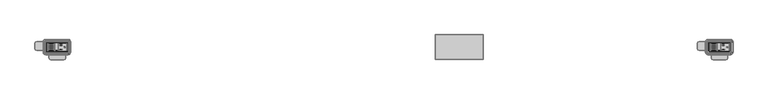
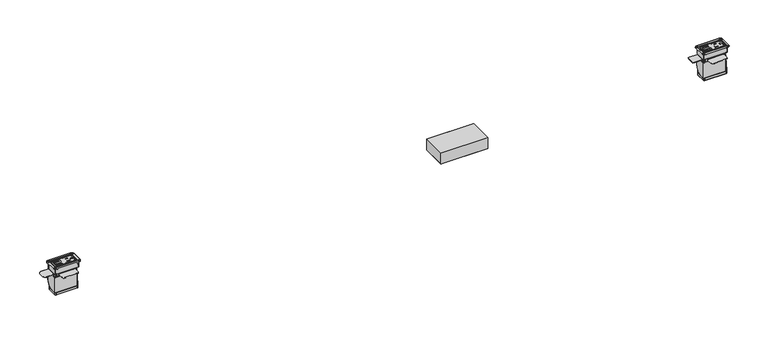
"""IFC4 building model written with IfcOpenShell, lengths in millimetres: furniture geometry."""

from ifc_helpers import new_model, si_unit, origin, place, context, project, spatial, triangles, source, transform, mapped, element, save


def furniture_5e9e9c3a(model_context):
    return source(origin(), model_context, "Body", "Tessellation", [
        triangles([(-1079.5000242, -14.2235992, 2.189245), (-1056.0364855, -12.0812961, 2.2463646), (-1077.5914925, -12.0812961, 2.2463646), (-1077.5914925, 11.9785305, 2.1326152), (-1079.5000242, 14.2244009, 2.189245), (-1056.0364855, 11.9785305, 2.1326152), (-1056.0364855, -12.0836976, 1.7383702), (-1056.0364855, 11.9761279, 1.6246208), (-1077.5914925, -12.0836976, 1.7383702), (-1077.5914925, 11.9761279, 1.6246208), (-1058.8765011, 9.1385382, 2.146042), (-1058.8765011, -9.2413038, 2.2329377), (-1074.7514769, -9.2413038, 2.2329377), (-1074.7514769, 9.1385382, 2.146042), (-1074.7514769, 2.788609, 2.176063), (-1074.7514769, -2.8913751, 2.2029167), (-1058.8765011, -2.8913751, 2.2029167), (-1058.8765011, 2.788609, 2.176063), (-1058.8765011, 2.7549855, -4.9358577), (-1058.8765011, 9.1049147, -4.9658783), (-1074.7514769, 9.1050538, -4.9658794), (-1074.7514769, 2.7549855, -4.9358577), (-1058.8765011, -9.2749278, -4.8789826), (-1058.8765011, -2.9249986, -4.9090038), (-1074.7514769, -2.9248592, -4.9090044), (-1074.7514769, -9.2749278, -4.8789826), (-1042.5112209, -13.5884477, 2.2534901), (-1044.7972733, -11.3024726, 2.2426824), (-1044.7972733, 11.3032742, 2.1358076), (-1042.5112209, 13.5892493, 2.125), (-1019.9052607, 13.5892493, 2.125), (-1018.2860281, 14.2244009, 2.189245), (-1017.619281, 11.3032742, 2.1358076), (-1015.238031, 11.1764004, 2.189245), (-1017.619281, -11.3024726, 2.2426824), (-1015.238031, -11.1755987, 2.189245), (-1019.9052607, -13.5884477, 2.2534901), (-1018.2860281, -14.2235992, 2.189245), (-1082.5480213, -11.1755987, 2.189245), (-1082.5480213, 11.1764004, 2.189245), (-1017.619281, -11.3090742, 0.846303), (-1017.619281, 11.2966726, 0.7394281), (-1019.9052607, 13.5826477, 0.7286206), (-1042.5112209, 13.5826477, 0.7286206), (-1044.7972733, 11.2966726, 0.7394281), (-1044.7972733, -11.3090742, 0.846303), (-1042.5112209, -13.5950493, 0.8571106), (-1019.9052607, -13.5950493, 0.8571106), (-1040.174445, 4.5977495, 2.1675098), (-1040.174445, 4.5839428, -0.752813), (-1040.174445, 7.4425179, 2.1540604), (-1040.174445, 7.4287111, -0.7662625), (-1032.5036196, 4.5977495, 2.1675098), (-1032.5036196, 4.5839428, -0.752813), (-1032.5036196, 7.4425179, 2.1540604), (-1032.5036196, 7.4287111, -0.7662625), (-1023.4358591, 2.6165716, 2.1768763), (-1023.4358591, 2.6027651, -0.7434465), (-1021.1752413, 2.6027651, -0.7434465), (-1021.1752413, 2.6165716, 2.1768763), (-1024.4370335, 2.4174274, 2.1778179), (-1024.4370335, 2.403621, -0.742505), (-1025.2858189, 1.850313, 2.180499), (-1025.2858189, 1.8365063, -0.7398238), (-1025.8529354, 1.0015661, 2.1845118), (-1025.8529354, 0.9877594, -0.7358111), (-1026.0520512, 0.0004009, 2.189245), (-1026.0520512, -0.0134058, -0.7310778), (-1025.8529354, -1.0007643, 2.1939783), (-1025.8529354, -1.014571, -0.7263445), (-1025.2858189, -1.8495112, 2.1979911), (-1025.2858189, -1.8633178, -0.7223318), (-1024.4370335, -2.4166258, 2.2006722), (-1024.4370335, -2.4304322, -0.7196506), (-1023.4358591, -2.6157699, 2.2016136), (-1023.4358591, -2.6295764, -0.7187092), (-1021.1752413, -2.6157699, 2.2016136), (-1021.1752413, -2.6295764, -0.7187092), (-1031.8432674, -5.3081397, 2.2143427), (-1031.8432674, -5.3219465, -0.7059802), (-1031.8432674, -8.1667146, -0.6925308), (-1031.8432674, -8.1529078, 2.227792), (-1041.0888514, -5.3081397, 2.2143427), (-1041.0888514, -5.3219465, -0.7059802), (-1041.0888514, -8.1529078, 2.227792), (-1041.0888514, -8.1667146, -0.6925308), (-1083.4369932, -18.097099, -91.7907544), (-1083.4369932, 18.0979006, -91.7907544), (-1014.3489864, 18.0979006, -91.7907544), (-1014.3489864, -18.097099, -91.7907544), (-1011.3009893, 15.0499012, -91.7907544), (-1011.3009893, -15.0490996, -91.7907544), (-1011.709322, -16.5730993, -91.7907544), (-1011.709322, 16.5739009, -91.7907544), (-1012.8250242, -17.6887447, -91.7907544), (-1012.8250242, 17.6895464, -91.7907544), (-1084.9610281, -17.6887447, -91.7907544), (-1084.9610281, 17.6895464, -91.7907544), (-1086.0766577, -16.5730993, -91.7907544), (-1086.0766577, 16.5739009, -91.7907544), (-1086.4849903, -15.0490996, -91.7907544), (-1086.4849903, 15.0499012, -91.7907544), (-1081.0239864, 13.8160467, 2.189245), (-1082.139616, 12.7004012, 2.189245), (-1081.0239864, -13.815245, 2.189245), (-1082.139616, -12.6995996, 2.189245), (-1016.7619932, -13.815245, 2.189245), (-1015.6463636, -12.6995996, 2.189245), (-1015.6463636, 12.7004012, 2.189245), (-1016.7619932, 13.8160467, 2.189245), (-1011.3009893, -15.0490996, -84.1707526), (-1011.709322, -16.5730993, -84.1707526), (-1012.8250242, -17.6887447, -84.1707526), (-1014.3489864, -18.097099, -84.1707526), (-1086.4849903, -15.0490996, -84.1707526), (-1086.0766577, -16.5730993, -84.1707526), (-1084.9610281, -17.6887447, -84.1707526), (-1083.4369932, -18.097099, -84.1707526), (-1086.4849903, 15.0499012, -84.1707526), (-1086.0766577, 16.5739009, -84.1707526), (-1084.9610281, 17.6895464, -84.1707526), (-1083.4369932, 18.0979006, -84.1707526), (-1011.3009893, 15.0499012, -84.1707526), (-1011.709322, 16.5739009, -84.1707526), (-1012.8250242, 17.6895464, -84.1707526), (-1014.3489864, 18.0979006, -84.1707526), (1018.2860281, -14.2235992, 2.189245), (1041.7495668, -12.0812961, 2.2463646), (1020.1944872, -12.0812961, 2.2463646), (1020.1944872, 11.9785305, 2.1326152), (1018.2860281, 14.2244009, 2.189245), (1041.7495668, 11.9785305, 2.1326152), (1041.7495668, -12.0836976, 1.7383702), (1041.7495668, 11.9761279, 1.6246208), (1020.1944872, -12.0836976, 1.7383702), (1020.1944872, 11.9761279, 1.6246208), (1038.9094786, 9.1385382, 2.146042), (1038.9094786, -9.2413038, 2.2329377), (1023.0345028, -9.2413038, 2.2329377), (1023.0345028, 9.1385382, 2.146042), (1023.0345028, 2.788609, 2.176063), (1023.0345028, -2.8913751, 2.2029167), (1038.9094786, -2.8913751, 2.2029167), (1038.9094786, 2.788609, 2.176063), (1038.9094786, 2.7549855, -4.9358577), (1038.9094786, 9.1049147, -4.9658783), (1023.0345028, 9.1050538, -4.9658794), (1023.0345028, 2.7549855, -4.9358577), (1038.9094786, -9.2749278, -4.8789826), (1038.9094786, -2.9249986, -4.9090038), (1023.0345028, -2.9248592, -4.9090044), (1023.0345028, -9.2749278, -4.8789826), (1055.2747587, -13.5884477, 2.2534901), (1052.9887791, -11.3024726, 2.2426824), (1052.9887791, 11.3032742, 2.1358076), (1055.2747587, 13.5892493, 2.125), (1077.880719, 13.5892493, 2.125), (1079.5000242, 14.2244009, 2.189245), (1080.1667713, 11.3032742, 2.1358076), (1082.5480213, 11.1764004, 2.189245), (1080.1667713, -11.3024726, 2.2426824), (1082.5480213, -11.1755987, 2.189245), (1077.880719, -13.5884477, 2.2534901), (1079.5000242, -14.2235992, 2.189245), (1015.238031, -11.1755987, 2.189245), (1015.238031, 11.1764004, 2.189245), (1080.1667713, -11.3090742, 0.846303), (1080.1667713, 11.2966726, 0.7394281), (1077.880719, 13.5826477, 0.7286206), (1055.2747587, 13.5826477, 0.7286206), (1052.9887791, 11.2966726, 0.7394281), (1052.9887791, -11.3090742, 0.846303), (1055.2747587, -13.5950493, 0.8571106), (1077.880719, -13.5950493, 0.8571106), (1057.6115347, 4.5977495, 2.1675098), (1057.6115347, 4.5839428, -0.752813), (1057.6115347, 7.4425179, 2.1540604), (1057.6115347, 7.4287111, -0.7662625), (1065.2823601, 4.5977495, 2.1675098), (1065.2823601, 4.5839428, -0.752813), (1065.2823601, 7.4425179, 2.1540604), (1065.2823601, 7.4287111, -0.7662625), (1074.3501205, 2.6165716, 2.1768763), (1074.3501205, 2.6027651, -0.7434465), (1076.6107384, 2.6027651, -0.7434465), (1076.6107384, 2.6165716, 2.1768763), (1073.3489462, 2.4174274, 2.1778179), (1073.3489462, 2.403621, -0.742505), (1072.5002335, 1.850313, 2.180499), (1072.5002335, 1.8365063, -0.7398238), (1071.9331169, 1.0015661, 2.1845118), (1071.9331169, 0.9877594, -0.7358111), (1071.7339285, 0.0004009, 2.189245), (1071.7339285, -0.0134058, -0.7310778), (1071.9331169, -1.0007643, 2.1939783), (1071.9331169, -1.014571, -0.7263445), (1072.5002335, -1.8495112, 2.1979911), (1072.5002335, -1.8633178, -0.7223318), (1073.3489462, -2.4166258, 2.2006722), (1073.3489462, -2.4304322, -0.7196506), (1074.3501205, -2.6157699, 2.2016136), (1074.3501205, -2.6295764, -0.7187092), (1076.6107384, -2.6157699, 2.2016136), (1076.6107384, -2.6295764, -0.7187092), (1065.9427849, -5.3081397, 2.2143427), (1065.9427849, -5.3219465, -0.7059802), (1065.9427849, -8.1667146, -0.6925308), (1065.9427849, -8.1529078, 2.227792), (1056.6971283, -5.3081397, 2.2143427), (1056.6971283, -5.3219465, -0.7059802), (1056.6971283, -8.1529078, 2.227792), (1056.6971283, -8.1667146, -0.6925308), (1014.3489864, -18.097099, -91.7907544), (1014.3489864, 18.0979006, -91.7907544), (1083.4369932, 18.0979006, -91.7907544), (1083.4369932, -18.097099, -91.7907544), (1086.4849903, 15.0499012, -91.7907544), (1086.4849903, -15.0490996, -91.7907544), (1086.0766577, 16.5739009, -91.7907544), (1086.0766577, -16.5730993, -91.7907544), (1084.9610281, 17.6895464, -91.7907544), (1084.9610281, -17.6887447, -91.7907544), (1012.8250242, -17.6887447, -91.7907544), (1012.8250242, 17.6895464, -91.7907544), (1011.709322, -16.5730993, -91.7907544), (1011.709322, 16.5739009, -91.7907544), (1011.3009893, -15.0490996, -91.7907544), (1011.3009893, 15.0499012, -91.7907544), (1016.7619932, 13.8160467, 2.189245), (1015.6463636, 12.7004012, 2.189245), (1016.7619932, -13.815245, 2.189245), (1015.6463636, -12.6995996, 2.189245), (1081.0239864, -13.815245, 2.189245), (1082.139616, -12.6995996, 2.189245), (1082.139616, 12.7004012, 2.189245), (1081.0239864, 13.8160467, 2.189245), (1086.4849903, -15.0490996, -84.1707526), (1086.0766577, -16.5730993, -84.1707526), (1084.9610281, -17.6887447, -84.1707526), (1083.4369932, -18.097099, -84.1707526), (1011.3009893, -15.0490996, -84.1707526), (1011.709322, -16.5730993, -84.1707526), (1012.8250242, -17.6887447, -84.1707526), (1014.3489864, -18.097099, -84.1707526), (1011.3009893, 15.0499012, -84.1707526), (1011.709322, 16.5739009, -84.1707526), (1012.8250242, 17.6895464, -84.1707526), (1014.3489864, 18.0979006, -84.1707526), (1086.4849903, 15.0499012, -84.1707526), (1086.0766577, 16.5739009, -84.1707526), (1084.9610281, 17.6895464, -84.1707526), (1083.4369932, 18.0979006, -84.1707526)], [[1, 2, 3], [4, 5, 1], [4, 1, 3], [6, 5, 4], [7, 8, 6], [7, 6, 2], [3, 9, 7], [3, 7, 2], [3, 4, 10], [3, 10, 9], [2, 6, 11], [2, 11, 12], [13, 3, 12], [3, 2, 12], [4, 3, 13], [4, 13, 14], [10, 4, 8], [4, 6, 8], [15, 16, 17], [15, 17, 18], [11, 6, 4], [11, 4, 14], [19, 20, 21], [19, 21, 22], [23, 24, 25], [23, 25, 26], [18, 11, 20], [18, 20, 19], [22, 15, 18], [22, 18, 19], [14, 15, 22], [14, 22, 21], [20, 11, 14], [20, 14, 21], [12, 17, 24], [12, 24, 23], [26, 13, 12], [26, 12, 23], [16, 13, 26], [16, 26, 25], [24, 17, 16], [24, 16, 25], [1, 27, 28], [1, 28, 2], [28, 29, 6], [28, 6, 2], [6, 29, 30], [6, 30, 5], [5, 30, 31], [5, 31, 32], [31, 33, 34], [31, 34, 32], [34, 33, 35], [34, 35, 36], [35, 37, 38], [35, 38, 36], [38, 37, 1], [37, 27, 1], [39, 1, 40], [1, 5, 40], [35, 28, 27], [35, 27, 37], [35, 41, 42], [35, 42, 33], [31, 33, 42], [31, 42, 43], [31, 43, 44], [31, 44, 30], [29, 30, 44], [29, 44, 45], [29, 45, 46], [29, 46, 28], [27, 28, 46], [27, 46, 47], [27, 47, 48], [27, 48, 37], [37, 48, 41], [37, 41, 35], [49, 50, 51], [50, 52, 51], [53, 54, 50], [53, 50, 49], [55, 56, 54], [55, 54, 53], [51, 52, 56], [51, 56, 55], [57, 58, 59], [57, 59, 60], [61, 62, 58], [61, 58, 57], [63, 64, 62], [63, 62, 61], [65, 66, 64], [65, 64, 63], [67, 68, 66], [67, 66, 65], [69, 70, 68], [69, 68, 67], [71, 72, 70], [71, 70, 69], [73, 74, 72], [73, 72, 71], [75, 76, 74], [75, 74, 73], [77, 78, 76], [77, 76, 75], [60, 59, 78], [60, 78, 77], [79, 80, 81], [79, 81, 82], [83, 84, 80], [83, 80, 79], [85, 86, 84], [85, 84, 83], [82, 81, 86], [82, 86, 85], [31, 30, 29], [31, 29, 33], [55, 33, 29], [55, 29, 51], [53, 49, 83], [53, 83, 79], [49, 51, 29], [49, 29, 83], [85, 83, 29], [85, 29, 28], [82, 85, 28], [82, 28, 35], [79, 82, 73], [82, 35, 73], [75, 73, 35], [75, 35, 77], [60, 77, 33], [77, 35, 33], [33, 60, 57], [33, 57, 61], [63, 61, 55], [61, 33, 55], [65, 63, 53], [63, 55, 53], [53, 79, 67], [53, 67, 65], [67, 79, 71], [67, 71, 69], [79, 73, 71], [87, 88, 89], [87, 89, 90], [91, 92, 93], [91, 93, 94], [94, 93, 95], [94, 95, 96], [96, 95, 90], [96, 90, 89], [88, 87, 97], [88, 97, 98], [98, 97, 99], [98, 99, 100], [100, 99, 101], [100, 101, 102], [40, 5, 103], [40, 103, 104], [105, 1, 106], [1, 39, 106], [36, 38, 107], [36, 107, 108], [34, 109, 110], [34, 110, 32], [111, 36, 108], [111, 108, 112], [112, 108, 107], [112, 107, 113], [113, 107, 38], [113, 38, 114], [92, 111, 112], [92, 112, 93], [93, 112, 113], [93, 113, 95], [95, 113, 114], [95, 114, 90], [115, 101, 116], [101, 99, 116], [116, 99, 117], [99, 97, 117], [117, 97, 118], [97, 87, 118], [39, 115, 116], [39, 116, 106], [106, 116, 117], [106, 117, 105], [105, 117, 118], [105, 118, 1], [119, 40, 104], [119, 104, 120], [120, 104, 103], [120, 103, 121], [121, 103, 5], [121, 5, 122], [102, 119, 120], [102, 120, 100], [100, 120, 121], [100, 121, 98], [98, 121, 122], [98, 122, 88], [123, 124, 109], [123, 109, 34], [124, 125, 110], [124, 110, 109], [125, 126, 32], [125, 32, 110], [91, 94, 124], [91, 124, 123], [94, 96, 125], [94, 125, 124], [96, 89, 126], [96, 126, 125], [122, 5, 32], [122, 32, 126], [38, 1, 118], [38, 118, 114], [123, 34, 36], [123, 36, 111], [115, 39, 40], [115, 40, 119], [119, 102, 101], [119, 101, 115], [118, 87, 114], [87, 90, 114], [111, 92, 91], [111, 91, 123], [126, 89, 88], [126, 88, 122], [127, 128, 129], [130, 131, 127], [130, 127, 129], [132, 131, 130], [133, 134, 132], [133, 132, 128], [129, 135, 133], [129, 133, 128], [129, 130, 136], [129, 136, 135], [128, 132, 137], [128, 137, 138], [139, 129, 128], [139, 128, 138], [130, 129, 139], [130, 139, 140], [136, 130, 132], [136, 132, 134], [141, 142, 143], [141, 143, 144], [137, 132, 140], [132, 130, 140], [145, 146, 147], [145, 147, 148], [149, 150, 151], [149, 151, 152], [144, 137, 146], [144, 146, 145], [148, 141, 144], [148, 144, 145], [140, 141, 148], [140, 148, 147], [146, 137, 140], [146, 140, 147], [138, 143, 150], [138, 150, 149], [152, 139, 138], [152, 138, 149], [142, 139, 152], [142, 152, 151], [150, 143, 142], [150, 142, 151], [127, 153, 154], [127, 154, 128], [154, 155, 128], [155, 132, 128], [132, 155, 156], [132, 156, 131], [131, 156, 157], [131, 157, 158], [157, 159, 160], [157, 160, 158], [160, 159, 161], [160, 161, 162], [161, 163, 164], [161, 164, 162], [164, 163, 153], [164, 153, 127], [165, 127, 131], [165, 131, 166], [161, 154, 163], [154, 153, 163], [161, 167, 168], [161, 168, 159], [157, 159, 168], [157, 168, 169], [157, 169, 170], [157, 170, 156], [155, 156, 170], [155, 170, 171], [155, 171, 172], [155, 172, 154], [153, 154, 172], [153, 172, 173], [153, 173, 174], [153, 174, 163], [163, 174, 167], [163, 167, 161], [175, 176, 177], [176, 178, 177], [179, 180, 176], [179, 176, 175], [181, 182, 180], [181, 180, 179], [177, 178, 182], [177, 182, 181], [183, 184, 185], [183, 185, 186], [187, 188, 184], [187, 184, 183], [189, 190, 188], [189, 188, 187], [191, 192, 190], [191, 190, 189], [193, 194, 192], [193, 192, 191], [195, 196, 194], [195, 194, 193], [197, 198, 196], [197, 196, 195], [199, 200, 198], [199, 198, 197], [201, 202, 200], [201, 200, 199], [203, 204, 202], [203, 202, 201], [186, 185, 204], [186, 204, 203], [205, 206, 207], [205, 207, 208], [209, 210, 206], [209, 206, 205], [211, 212, 210], [211, 210, 209], [208, 207, 212], [208, 212, 211], [157, 156, 155], [157, 155, 159], [181, 159, 177], [159, 155, 177], [179, 175, 209], [179, 209, 205], [175, 177, 209], [177, 155, 209], [211, 209, 154], [209, 155, 154], [208, 211, 161], [211, 154, 161], [205, 208, 161], [205, 161, 199], [201, 199, 203], [199, 161, 203], [186, 203, 161], [186, 161, 159], [159, 186, 187], [186, 183, 187], [189, 187, 159], [189, 159, 181], [191, 189, 181], [191, 181, 179], [179, 205, 193], [179, 193, 191], [193, 205, 197], [193, 197, 195], [205, 199, 197], [213, 214, 215], [213, 215, 216], [217, 218, 219], [218, 220, 219], [219, 220, 221], [220, 222, 221], [221, 222, 215], [222, 216, 215], [214, 213, 223], [214, 223, 224], [224, 223, 225], [224, 225, 226], [226, 225, 227], [226, 227, 228], [166, 131, 229], [166, 229, 230], [231, 127, 165], [231, 165, 232], [162, 164, 233], [162, 233, 234], [160, 235, 236], [160, 236, 158], [237, 162, 234], [237, 234, 238], [238, 234, 233], [238, 233, 239], [239, 233, 164], [239, 164, 240], [218, 237, 238], [218, 238, 220], [220, 238, 239], [220, 239, 222], [222, 239, 240], [222, 240, 216], [241, 227, 225], [241, 225, 242], [242, 225, 223], [242, 223, 243], [243, 223, 213], [243, 213, 244], [165, 241, 242], [165, 242, 232], [232, 242, 243], [232, 243, 231], [231, 243, 244], [231, 244, 127], [245, 166, 230], [245, 230, 246], [246, 230, 229], [246, 229, 247], [247, 229, 131], [247, 131, 248], [228, 245, 246], [228, 246, 226], [226, 246, 247], [226, 247, 224], [224, 247, 248], [224, 248, 214], [249, 250, 235], [249, 235, 160], [250, 251, 236], [250, 236, 235], [251, 252, 158], [251, 158, 236], [217, 219, 250], [217, 250, 249], [219, 221, 251], [219, 251, 250], [221, 215, 252], [221, 252, 251], [248, 131, 158], [248, 158, 252], [164, 127, 244], [164, 244, 240], [249, 160, 162], [249, 162, 237], [241, 165, 166], [241, 166, 245], [245, 228, 227], [245, 227, 241], [244, 213, 216], [244, 216, 240], [237, 218, 217], [237, 217, 249], [252, 215, 248], [215, 214, 248]], closed=False),
        triangles([(-1086.9928808, 16.0341912, -65.9811606), (-1086.9928808, 17.967651, -56.2610008), (-1086.9928808, 10.5281637, -74.2215143), (-1086.9928808, 2.2878106, -79.7275372), (-1086.9928808, 17.967651, -30.0990008), (-1086.9928808, -7.4323486, -81.6610039), (-1088.7708973, 2.2878106, -79.7275372), (-1088.7708973, 17.967651, -56.2610008), (-1088.7708973, 16.0341912, -65.9811606), (-1088.7708973, 10.5281637, -74.2215143), (-1088.7708973, -7.4323486, -81.6610039), (-1088.7708973, 17.967651, -30.0990008), (-1088.7708973, -20.0053491, -81.6610039), (-1086.9928808, -18.2273485, -81.6610039), (-1017.1428566, -18.2273485, -81.6610039), (-1017.1428566, -20.0053491, -81.6610039), (-1021.4608343, -18.2273485, -30.0990008), (-1021.4608343, -20.0053491, -30.0990008), (-1017.1428566, -18.2273485, -30.0990008), (-1017.1428566, -20.0053491, -30.0990008), (-1088.7708973, -20.0053491, -30.0990008), (-1086.9928808, -18.2273485, -30.0990008), (-1086.9928808, -11.4709489, -30.0990008), (-1088.7708973, -11.4709489, -30.0990008), (-1074.2928566, -20.0053491, -30.0990008), (-1074.2928566, -18.2273485, -30.0990008), (-1021.4608343, -20.0053491, -25.0190011), (-1074.2928566, -20.0053491, -25.0190011), (-1021.4608343, -34.7119483, -25.0190011), (-1074.2928566, -34.7119483, -25.0190011), (-1021.4608343, -18.2273485, -23.2410005), (-1074.2928566, -18.2273485, -23.2410005), (-1074.2928566, -34.7119483, -23.2410005), (-1021.4608343, -34.7119483, -23.2410005), (-1112.3928566, 17.967651, -25.0190011), (-1088.7708973, 17.967651, -25.0190011), (-1088.7708973, -11.4709489, -25.0190011), (-1112.3928566, -11.4709489, -25.0190011), (-1086.9928808, 17.967651, -23.2410005), (-1086.9928808, -11.4709489, -23.2410005), (-1112.3928566, 17.967651, -23.2410005), (-1112.3928566, -11.4709489, -23.2410005), (-1116.8829895, 16.1077797, -23.2410005), (-1116.8829895, -9.6110765, -23.2410005), (-1118.7428324, 11.6176514, -23.2410005), (-1118.7428324, -5.1209487, -23.2410005), (-1116.8829895, -9.6110765, -25.0190011), (-1116.8829895, 16.1077797, -25.0190011), (-1118.7428324, -5.1209487, -25.0190011), (-1118.7428324, 11.6176514, -25.0190011), (-1027.8108828, -41.0619467, -23.2410005), (-1023.3207499, -39.2020766, -23.2410005), (-1072.4330137, -39.2020766, -23.2410005), (-1067.9428808, -41.0619467, -23.2410005), (-1067.9428808, -41.0619467, -25.0190011), (-1072.4330137, -39.2020766, -25.0190011), (-1023.3207499, -39.2020766, -25.0190011), (-1027.8108828, -41.0619467, -25.0190011), (1010.7931715, 16.0341912, -65.9811606), (1010.7931715, 17.967651, -56.2610008), (1010.7931715, 10.5281637, -74.2215143), (1010.7931715, 2.2878106, -79.7275372), (1010.7931715, 17.967651, -30.0990008), (1010.7931715, -7.4323486, -81.6610039), (1009.015155, 2.2878106, -79.7275372), (1009.015155, 17.967651, -56.2610008), (1009.015155, 16.0341912, -65.9811606), (1009.015155, 10.5281637, -74.2215143), (1009.015155, -7.4323486, -81.6610039), (1009.015155, 17.967651, -30.0990008), (1009.015155, -20.0053491, -81.6610039), (1010.7931715, -18.2273485, -81.6610039), (1080.6431231, -18.2273485, -81.6610039), (1080.6431231, -20.0053491, -81.6610039), (1076.3251453, -18.2273485, -30.0990008), (1076.3251453, -20.0053491, -30.0990008), (1080.6431231, -20.0053491, -30.0990008), (1080.6431231, -18.2273485, -30.0990008), (1009.015155, -20.0053491, -30.0990008), (1010.7931715, -18.2273485, -30.0990008), (1010.7931715, -11.4709489, -30.0990008), (1009.015155, -11.4709489, -30.0990008), (1023.4931231, -20.0053491, -30.0990008), (1023.4931231, -18.2273485, -30.0990008), (1076.3251453, -20.0053491, -25.0190011), (1023.4931231, -20.0053491, -25.0190011), (1076.3251453, -34.7119483, -25.0190011), (1023.4931231, -34.7119483, -25.0190011), (1076.3251453, -18.2273485, -23.2410005), (1023.4931231, -18.2273485, -23.2410005), (1076.3251453, -34.7119483, -23.2410005), (1023.4931231, -34.7119483, -23.2410005), (985.3931231, 17.967651, -25.0190011), (1009.015155, 17.967651, -25.0190011), (1009.015155, -11.4709489, -25.0190011), (985.3931231, -11.4709489, -25.0190011), (1010.7931715, 17.967651, -23.2410005), (1010.7931715, -11.4709489, -23.2410005), (985.3931231, 17.967651, -23.2410005), (985.3931231, -11.4709489, -23.2410005), (980.9029902, 16.1077797, -23.2410005), (980.9029902, -9.6110765, -23.2410005), (979.0431473, 11.6176514, -23.2410005), (979.0431473, -5.1209487, -23.2410005), (980.9029902, -9.6110765, -25.0190011), (980.9029902, 16.1077797, -25.0190011), (979.0431473, -5.1209487, -25.0190011), (979.0431473, 11.6176514, -25.0190011), (1069.9751696, -41.0619467, -23.2410005), (1074.4652298, -39.2020766, -23.2410005), (1025.3530386, -39.2020766, -23.2410005), (1029.8431715, -41.0619467, -23.2410005), (1029.8431715, -41.0619467, -25.0190011), (1025.3530386, -39.2020766, -25.0190011), (1074.4652298, -39.2020766, -25.0190011), (1069.9751696, -41.0619467, -25.0190011), (300.9900036, -39.3699988, -62.1070784), (148.5900036, -39.3699988, -62.1070784), (148.5900036, 39.3699988, -62.1070784), (300.9900036, 39.3699988, -62.1070784), (300.9900036, -39.3699988, -24.0070784), (300.9900036, 39.3699988, -24.0070784), (148.5900036, 39.3699988, -24.0070784), (148.5900036, -39.3699988, -24.0070784)], [[1, 2, 3], [2, 4, 3], [2, 5, 4], [5, 6, 4], [7, 8, 9], [7, 9, 10], [11, 12, 8], [11, 8, 7], [2, 1, 9], [2, 9, 8], [1, 3, 10], [1, 10, 9], [3, 4, 7], [3, 7, 10], [4, 6, 11], [4, 11, 7], [13, 14, 15], [13, 15, 16], [13, 11, 6], [13, 6, 14], [17, 18, 19], [18, 20, 19], [21, 22, 23], [21, 23, 24], [21, 25, 26], [21, 26, 22], [18, 27, 28], [18, 28, 25], [29, 30, 28], [29, 28, 27], [31, 32, 33], [31, 33, 34], [31, 17, 26], [31, 26, 32], [35, 36, 37], [35, 37, 38], [12, 24, 37], [12, 37, 36], [39, 40, 23], [39, 23, 5], [39, 41, 42], [39, 42, 40], [43, 44, 41], [44, 42, 41], [45, 46, 43], [46, 44, 43], [47, 48, 38], [48, 35, 38], [49, 50, 47], [50, 48, 47], [51, 52, 53], [51, 53, 54], [52, 34, 33], [52, 33, 53], [55, 56, 57], [55, 57, 58], [56, 30, 29], [56, 29, 57], [52, 57, 34], [57, 29, 34], [51, 58, 52], [58, 57, 52], [53, 56, 54], [56, 55, 54], [33, 30, 53], [30, 56, 53], [43, 48, 50], [43, 50, 45], [41, 35, 48], [41, 48, 43], [44, 47, 42], [47, 38, 42], [46, 49, 44], [49, 47, 44], [17, 31, 27], [17, 27, 18], [34, 29, 27], [34, 27, 31], [54, 55, 51], [55, 58, 51], [32, 28, 30], [32, 30, 33], [32, 26, 25], [32, 25, 28], [23, 40, 37], [23, 37, 24], [42, 38, 40], [38, 37, 40], [45, 50, 49], [45, 49, 46], [39, 36, 35], [39, 35, 41], [8, 36, 2], [36, 39, 2], [5, 22, 14], [5, 14, 6], [19, 15, 14], [19, 14, 22], [19, 20, 16], [19, 16, 15], [21, 13, 16], [21, 16, 20], [21, 12, 11], [21, 11, 13], [59, 60, 61], [60, 62, 61], [60, 63, 62], [63, 64, 62], [65, 66, 67], [65, 67, 68], [69, 70, 66], [69, 66, 65], [60, 59, 66], [59, 67, 66], [59, 61, 67], [61, 68, 67], [61, 62, 68], [62, 65, 68], [62, 64, 65], [64, 69, 65], [71, 72, 73], [71, 73, 74], [71, 69, 64], [71, 64, 72], [75, 76, 77], [75, 77, 78], [79, 80, 81], [79, 81, 82], [79, 83, 84], [79, 84, 80], [76, 85, 86], [76, 86, 83], [87, 88, 86], [87, 86, 85], [89, 90, 91], [90, 92, 91], [89, 75, 90], [75, 84, 90], [93, 94, 95], [93, 95, 96], [70, 82, 95], [70, 95, 94], [97, 98, 81], [97, 81, 63], [97, 99, 100], [97, 100, 98], [101, 102, 100], [101, 100, 99], [103, 104, 102], [103, 102, 101], [105, 106, 93], [105, 93, 96], [107, 108, 106], [107, 106, 105], [109, 110, 111], [109, 111, 112], [110, 91, 92], [110, 92, 111], [113, 114, 115], [113, 115, 116], [114, 88, 87], [114, 87, 115], [110, 115, 87], [110, 87, 91], [109, 116, 115], [109, 115, 110], [111, 114, 113], [111, 113, 112], [92, 88, 114], [92, 114, 111], [101, 106, 103], [106, 108, 103], [99, 93, 101], [93, 106, 101], [102, 105, 96], [102, 96, 100], [104, 107, 105], [104, 105, 102], [75, 89, 85], [75, 85, 76], [91, 87, 85], [91, 85, 89], [112, 113, 116], [112, 116, 109], [90, 86, 88], [90, 88, 92], [90, 84, 83], [90, 83, 86], [81, 98, 95], [81, 95, 82], [100, 96, 95], [100, 95, 98], [103, 108, 107], [103, 107, 104], [97, 94, 99], [94, 93, 99], [66, 94, 97], [66, 97, 60], [63, 80, 72], [63, 72, 64], [78, 73, 72], [78, 72, 80], [78, 77, 74], [78, 74, 73], [79, 71, 74], [79, 74, 77], [79, 70, 69], [79, 69, 71], [117, 118, 119], [117, 119, 120], [121, 122, 123], [121, 123, 124], [123, 119, 118], [123, 118, 124], [123, 122, 120], [123, 120, 119], [121, 117, 120], [121, 120, 122], [121, 124, 118], [121, 118, 117]], closed=False),
        triangles([(-1014.2465218, -16.8646728, 0.9906), (-1013.484577, -16.6604951, 0.9906), (-1083.5377138, -16.8646728, 0.9906), (-1084.2997313, -16.6604951, 0.9906), (-1012.9266895, -16.1026724, 0.9906), (-1084.857546, -16.1026724, 0.9906), (-1012.7225595, -15.3406731, 0.9906), (-1085.0617487, -15.3406731, 0.9906), (-1012.7225595, 15.3425274, 0.9906), (-1085.0617487, 15.3425274, 0.9906), (-1012.9266895, 16.1045278, 0.9906), (-1084.857546, 16.1045278, 0.9906), (-1013.484577, 16.6623505, 0.9906), (-1084.2997313, 16.6623505, 0.9906), (-1014.2465218, 16.866527, 0.9906), (-1083.5377138, 16.866527, 0.9906), (-1010.1825256, -16.8646728, -18.2117994), (-1010.5228392, -18.1346727, -18.2117994), (-1011.60693, -16.8646728, -18.2117994), (-1011.1985247, -15.3406731, -18.2117994), (-1011.4525789, -19.0643773, -18.2117994), (-1012.7225595, -17.9803183, -18.2117994), (-1012.7225595, -19.4046727, -18.2117994), (-1014.2465218, -18.3886725, -18.2117994), (-1014.2465218, 18.3905279, -18.2117994), (-1012.7225595, 19.406528, -18.2117994), (-1011.4525789, 19.0662327, -18.2117994), (-1012.7225595, 17.9821725, -18.2117994), (-1010.5228392, 18.136527, -18.2117994), (-1011.60693, 16.866527, -18.2117994), (-1010.1825256, 16.866527, -18.2117994), (-1011.1985247, 15.3425274, -18.2117994), (-1083.5377138, 18.3905279, -18.2117994), (-1085.0617487, 17.9821725, -18.2117994), (-1086.3317293, 19.0662327, -18.2117994), (-1085.0617487, 19.406528, -18.2117994), (-1086.1773783, 16.866527, -18.2117994), (-1087.2614691, 18.136527, -18.2117994), (-1086.5857109, 15.3425274, -18.2117994), (-1087.6017099, 16.866527, -18.2117994), (-1087.6017099, -16.8646728, -18.2117994), (-1086.5857109, -15.3406731, -18.2117994), (-1086.1773783, -16.8646728, -18.2117994), (-1087.2614691, -18.1346727, -18.2117994), (-1085.0617487, -17.9803183, -18.2117994), (-1086.3317293, -19.0643773, -18.2117994), (-1083.5377138, -18.3886725, -18.2117994), (-1085.0617487, -19.4046727, -18.2117994), (-1012.7225595, 19.406528, 0.635), (-1085.0617487, 19.406528, 0.635), (-1014.2465218, 16.866527, 0.635), (-1083.5377138, 16.866527, 0.635), (-1083.5377138, 18.3905279, 2.2859999), (-1014.2465218, 18.3905279, 2.2859999), (-1012.7225595, 24.4865277, 1.778), (-1085.0617487, 24.4865277, 1.778), (-1012.7225595, 24.4865277, 0.635), (-1085.0617487, 24.4865277, 0.635), (-1013.484577, 16.6623505, 0.635), (-1012.9266895, 16.1045278, 0.635), (-1012.7225595, 15.3425274, 0.635), (-1011.4525789, 19.0662327, 0.635), (-1010.5228392, 18.136527, 0.635), (-1010.1825256, 16.866527, 0.635), (-1008.912545, 23.4656416, 0.635), (-1006.1233984, 20.6765268, 0.635), (-1005.1025305, 16.866527, 0.635), (-1012.7225595, 17.9821725, 2.2859999), (-1011.60693, 16.866527, 2.2859999), (-1011.1985247, 15.3425274, 2.2859999), (-1008.912545, 23.4656416, 1.778), (-1006.1233984, 20.6765268, 1.778), (-1005.1025305, 16.866527, 1.778), (-1087.6017099, 16.866527, 0.635), (-1087.6017099, -16.8646728, 0.635), (-1085.0617487, 15.3425274, 0.635), (-1085.0617487, -15.3406731, 0.635), (-1086.5857109, 15.3425274, 2.2859999), (-1086.5857109, -15.3406731, 2.2859999), (-1092.6817778, 16.866527, 1.778), (-1092.6817778, -16.8646728, 1.778), (-1092.6817778, 16.866527, 0.635), (-1092.6817778, -16.8646728, 0.635), (-1084.857546, 16.1045278, 0.635), (-1084.2997313, 16.6623505, 0.635), (-1087.2614691, 18.136527, 0.635), (-1086.3317293, 19.0662327, 0.635), (-1091.6608372, 20.6765268, 0.635), (-1088.8717632, 23.4656416, 0.635), (-1086.1773783, 16.866527, 2.2859999), (-1085.0617487, 17.9821725, 2.2859999), (-1091.6608372, 20.6765268, 1.778), (-1088.8717632, 23.4656416, 1.778), (-1085.0617487, -19.4046727, 0.635), (-1012.7225595, -19.4046727, 0.635), (-1083.5377138, -16.8646728, 0.635), (-1014.2465218, -16.8646728, 0.635), (-1083.5377138, -18.3886725, 2.2859999), (-1014.2465218, -18.3886725, 2.2859999), (-1085.0617487, -24.4846724, 1.778), (-1012.7225595, -24.4846724, 1.778), (-1085.0617487, -24.4846724, 0.635), (-1012.7225595, -24.4846724, 0.635), (-1084.2997313, -16.6604951, 0.635), (-1084.857546, -16.1026724, 0.635), (-1086.3317293, -19.0643773, 0.635), (-1087.2614691, -18.1346727, 0.635), (-1088.8717632, -23.4637863, 0.635), (-1091.6608372, -20.6746737, 0.635), (-1085.0617487, -17.9803183, 2.2859999), (-1086.1773783, -16.8646728, 2.2859999), (-1088.8717632, -23.4637863, 1.778), (-1091.6608372, -20.6746737, 1.778), (-1010.1825256, -16.8646728, 0.635), (-1012.7225595, -15.3406731, 0.635), (-1011.1985247, -15.3406731, 2.2859999), (-1005.1025305, -16.8646728, 1.778), (-1005.1025305, -16.8646728, 0.635), (-1012.9266895, -16.1026724, 0.635), (-1013.484577, -16.6604951, 0.635), (-1010.5228392, -18.1346727, 0.635), (-1011.4525789, -19.0643773, 0.635), (-1006.1233984, -20.6746737, 0.635), (-1008.912545, -23.4637863, 0.635), (-1011.60693, -16.8646728, 2.2859999), (-1012.7225595, -17.9803183, 2.2859999), (-1006.1233984, -20.6746737, 1.778), (-1008.912545, -23.4637863, 1.778), (-1085.0617487, -19.4046727, -19.6849994), (-1012.7225595, -19.4046727, -19.6849994), (-1010.1825256, -16.8646728, -19.6849994), (-1010.1825256, 16.866527, -19.6849994), (-1012.7225595, 19.406528, -19.6849994), (-1085.0617487, 19.406528, -19.6849994), (-1087.6017099, 16.866527, -19.6849994), (-1087.6017099, -16.8646728, -19.6849994), (-1010.987709, -18.5995245, -19.6849994), (-1010.987709, -18.5995245, 0.635), (-1010.987709, 18.6013798, 0.635), (-1010.987709, 18.6013798, -19.6849994), (-1086.7965992, -18.5995245, 0.635), (-1086.7965992, -18.5995245, -19.6849994), (-1086.7965992, 18.6013798, 0.635), (-1086.7965992, 18.6013798, -19.6849994), (1083.5394579, -16.8646728, 0.9906), (1084.3014753, -16.6604951, 0.9906), (1013.4862484, -16.6604951, 0.9906), (1014.2482658, -16.8646728, 0.9906), (1084.8592901, -16.1026724, 0.9906), (1012.9284336, -16.1026724, 0.9906), (1085.0634201, -15.3406731, 0.9906), (1012.724231, -15.3406731, 0.9906), (1085.0634201, 15.3425274, 0.9906), (1012.724231, 15.3425274, 0.9906), (1084.8592901, 16.1045278, 0.9906), (1012.9284336, 16.1045278, 0.9906), (1084.3014753, 16.6623505, 0.9906), (1013.4862484, 16.6623505, 0.9906), (1083.5394579, 16.866527, 0.9906), (1014.2482658, 16.866527, 0.9906), (1087.603454, -16.8646728, -18.2117994), (1087.2631405, -18.1346727, -18.2117994), (1086.1791224, -16.8646728, -18.2117994), (1086.587455, -15.3406731, -18.2117994), (1086.3334734, -19.0643773, -18.2117994), (1085.0634201, -17.9803183, -18.2117994), (1085.0634201, -19.4046727, -18.2117994), (1083.5394579, -18.3886725, -18.2117994), (1083.5394579, 18.3905279, -18.2117994), (1085.0634201, 19.406528, -18.2117994), (1086.3334734, 19.0662327, -18.2117994), (1085.0634201, 17.9821725, -18.2117994), (1087.2631405, 18.136527, -18.2117994), (1086.1791224, 16.866527, -18.2117994), (1087.603454, 16.866527, -18.2117994), (1086.587455, 15.3425274, -18.2117994), (1014.2482658, 18.3905279, -18.2117994), (1012.724231, 17.9821725, -18.2117994), (1011.4542503, 19.0662327, -18.2117994), (1012.724231, 19.406528, -18.2117994), (1011.6086014, 16.866527, -18.2117994), (1010.5245832, 18.136527, -18.2117994), (1011.2002687, 15.3425274, -18.2117994), (1010.1842697, 16.866527, -18.2117994), (1010.1842697, -16.8646728, -18.2117994), (1011.2002687, -15.3406731, -18.2117994), (1011.6086014, -16.8646728, -18.2117994), (1010.5245832, -18.1346727, -18.2117994), (1012.724231, -17.9803183, -18.2117994), (1011.4542503, -19.0643773, -18.2117994), (1014.2482658, -18.3886725, -18.2117994), (1012.724231, -19.4046727, -18.2117994), (1085.0634201, 19.406528, 0.635), (1012.724231, 19.406528, 0.635), (1083.5394579, 16.866527, 0.635), (1014.2482658, 16.866527, 0.635), (1083.5394579, 18.3905279, 2.2859999), (1014.2482658, 18.3905279, 2.2859999), (1085.0634201, 24.4865277, 1.778), (1012.724231, 24.4865277, 1.778), (1085.0634201, 24.4865277, 0.635), (1012.724231, 24.4865277, 0.635), (1084.3014753, 16.6623505, 0.635), (1084.8592901, 16.1045278, 0.635), (1085.0634201, 15.3425274, 0.635), (1086.3334734, 19.0662327, 0.635), (1087.2631405, 18.136527, 0.635), (1087.603454, 16.866527, 0.635), (1088.8734346, 23.4656416, 0.635), (1091.6625813, 20.6765268, 0.635), (1092.6834492, 16.866527, 0.635), (1085.0634201, 17.9821725, 2.2859999), (1086.1791224, 16.866527, 2.2859999), (1086.587455, 15.3425274, 2.2859999), (1088.8734346, 23.4656416, 1.778), (1091.6625813, 20.6765268, 1.778), (1092.6834492, 16.866527, 1.778), (1010.1842697, 16.866527, 0.635), (1010.1842697, -16.8646728, 0.635), (1012.724231, 15.3425274, 0.635), (1012.724231, -15.3406731, 0.635), (1011.2002687, 15.3425274, 2.2859999), (1011.2002687, -15.3406731, 2.2859999), (1005.1042746, 16.866527, 1.778), (1005.1042746, -16.8646728, 1.778), (1005.1042746, 16.866527, 0.635), (1005.1042746, -16.8646728, 0.635), (1012.9284336, 16.1045278, 0.635), (1013.4862484, 16.6623505, 0.635), (1010.5245832, 18.136527, 0.635), (1011.4542503, 19.0662327, 0.635), (1006.1251425, 20.6765268, 0.635), (1008.9142891, 23.4656416, 0.635), (1011.6086014, 16.866527, 2.2859999), (1012.724231, 17.9821725, 2.2859999), (1006.1251425, 20.6765268, 1.778), (1008.9142891, 23.4656416, 1.778), (1012.724231, -19.4046727, 0.635), (1085.0634201, -19.4046727, 0.635), (1014.2482658, -16.8646728, 0.635), (1083.5394579, -16.8646728, 0.635), (1083.5394579, -18.3886725, 2.2859999), (1014.2482658, -18.3886725, 2.2859999), (1012.724231, -24.4846724, 1.778), (1085.0634201, -24.4846724, 1.778), (1012.724231, -24.4846724, 0.635), (1085.0634201, -24.4846724, 0.635), (1013.4862484, -16.6604951, 0.635), (1012.9284336, -16.1026724, 0.635), (1011.4542503, -19.0643773, 0.635), (1010.5245832, -18.1346727, 0.635), (1008.9142891, -23.4637863, 0.635), (1006.1251425, -20.6746737, 0.635), (1012.724231, -17.9803183, 2.2859999), (1011.6086014, -16.8646728, 2.2859999), (1008.9142891, -23.4637863, 1.778), (1006.1251425, -20.6746737, 1.778), (1087.603454, -16.8646728, 0.635), (1085.0634201, -15.3406731, 0.635), (1086.587455, -15.3406731, 2.2859999), (1092.6834492, -16.8646728, 1.778), (1092.6834492, -16.8646728, 0.635), (1084.8592901, -16.1026724, 0.635), (1084.3014753, -16.6604951, 0.635), (1087.2631405, -18.1346727, 0.635), (1086.3334734, -19.0643773, 0.635), (1091.6625813, -20.6746737, 0.635), (1088.8734346, -23.4637863, 0.635), (1086.1791224, -16.8646728, 2.2859999), (1085.0634201, -17.9803183, 2.2859999), (1091.6625813, -20.6746737, 1.778), (1088.8734346, -23.4637863, 1.778), (1012.724231, -19.4046727, -19.6849994), (1085.0634201, -19.4046727, -19.6849994), (1087.603454, -16.8646728, -19.6849994), (1087.603454, 16.866527, -19.6849994), (1085.0634201, 19.406528, -19.6849994), (1012.724231, 19.406528, -19.6849994), (1010.1842697, 16.866527, -19.6849994), (1010.1842697, -16.8646728, -19.6849994), (1086.7983433, -18.5995245, -19.6849994), (1086.7983433, -18.5995245, 0.635), (1086.7983433, 18.6013798, 0.635), (1086.7983433, 18.6013798, -19.6849994), (1010.9893805, -18.5995245, 0.635), (1010.9893805, -18.5995245, -19.6849994), (1010.9893805, 18.6013798, 0.635), (1010.9893805, 18.6013798, -19.6849994)], [[1, 2, 3], [2, 4, 3], [5, 6, 4], [5, 4, 2], [5, 7, 6], [7, 8, 6], [9, 10, 8], [9, 8, 7], [9, 11, 12], [9, 12, 10], [13, 14, 11], [14, 12, 11], [13, 15, 16], [13, 16, 14], [17, 18, 19], [17, 19, 20], [18, 21, 22], [18, 22, 19], [21, 23, 24], [21, 24, 22], [25, 26, 27], [25, 27, 28], [28, 27, 29], [28, 29, 30], [30, 29, 31], [30, 31, 32], [33, 34, 35], [33, 35, 36], [34, 37, 38], [34, 38, 35], [37, 39, 40], [37, 40, 38], [41, 42, 43], [41, 43, 44], [44, 43, 45], [44, 45, 46], [46, 45, 47], [46, 47, 48], [49, 26, 36], [49, 36, 50], [36, 26, 25], [36, 25, 33], [25, 51, 52], [25, 52, 33], [52, 51, 53], [51, 54, 53], [54, 55, 56], [54, 56, 53], [56, 55, 57], [56, 57, 58], [57, 49, 50], [57, 50, 58], [51, 25, 28], [51, 28, 59], [59, 28, 30], [59, 30, 60], [60, 30, 32], [60, 32, 61], [49, 62, 27], [49, 27, 26], [62, 63, 29], [62, 29, 27], [63, 64, 31], [63, 31, 29], [49, 57, 65], [49, 65, 62], [62, 65, 66], [62, 66, 63], [63, 66, 67], [63, 67, 64], [54, 51, 68], [51, 59, 68], [68, 59, 69], [59, 60, 69], [69, 60, 61], [69, 61, 70], [55, 54, 71], [54, 68, 71], [71, 68, 72], [68, 69, 72], [72, 69, 73], [69, 70, 73], [57, 55, 71], [57, 71, 65], [65, 71, 72], [65, 72, 66], [66, 72, 73], [66, 73, 67], [74, 40, 41], [74, 41, 75], [41, 40, 39], [41, 39, 42], [39, 76, 77], [39, 77, 42], [77, 76, 78], [77, 78, 79], [78, 80, 81], [78, 81, 79], [81, 80, 82], [81, 82, 83], [82, 74, 75], [82, 75, 83], [76, 39, 84], [39, 37, 84], [84, 37, 85], [37, 34, 85], [85, 34, 52], [34, 33, 52], [74, 86, 38], [74, 38, 40], [86, 87, 35], [86, 35, 38], [87, 50, 36], [87, 36, 35], [74, 82, 88], [74, 88, 86], [86, 88, 87], [88, 89, 87], [87, 89, 50], [89, 58, 50], [78, 76, 84], [78, 84, 90], [90, 84, 85], [90, 85, 91], [91, 85, 52], [91, 52, 53], [80, 78, 90], [80, 90, 92], [92, 90, 91], [92, 91, 93], [93, 91, 53], [93, 53, 56], [82, 80, 92], [82, 92, 88], [88, 92, 93], [88, 93, 89], [89, 93, 56], [89, 56, 58], [94, 48, 23], [94, 23, 95], [23, 48, 24], [48, 47, 24], [47, 96, 97], [47, 97, 24], [97, 96, 98], [97, 98, 99], [98, 100, 99], [100, 101, 99], [101, 100, 102], [101, 102, 103], [102, 94, 95], [102, 95, 103], [96, 47, 45], [96, 45, 104], [104, 45, 43], [104, 43, 105], [105, 43, 42], [105, 42, 77], [94, 106, 46], [94, 46, 48], [106, 107, 44], [106, 44, 46], [107, 75, 41], [107, 41, 44], [94, 102, 108], [94, 108, 106], [106, 108, 109], [106, 109, 107], [107, 109, 83], [107, 83, 75], [98, 96, 104], [98, 104, 110], [110, 104, 105], [110, 105, 111], [111, 105, 79], [105, 77, 79], [100, 98, 110], [100, 110, 112], [112, 110, 111], [112, 111, 113], [113, 111, 81], [111, 79, 81], [102, 100, 112], [102, 112, 108], [108, 112, 113], [108, 113, 109], [109, 113, 81], [109, 81, 83], [114, 17, 31], [114, 31, 64], [31, 17, 20], [31, 20, 32], [20, 115, 61], [20, 61, 32], [61, 115, 116], [61, 116, 70], [116, 117, 70], [117, 73, 70], [73, 117, 118], [73, 118, 67], [118, 114, 64], [118, 64, 67], [115, 20, 19], [115, 19, 119], [119, 19, 22], [119, 22, 120], [120, 22, 24], [120, 24, 97], [114, 121, 18], [114, 18, 17], [121, 122, 21], [121, 21, 18], [122, 95, 23], [122, 23, 21], [114, 118, 121], [118, 123, 121], [121, 123, 124], [121, 124, 122], [122, 124, 103], [122, 103, 95], [116, 115, 119], [116, 119, 125], [125, 119, 120], [125, 120, 126], [126, 120, 97], [126, 97, 99], [117, 116, 125], [117, 125, 127], [127, 125, 126], [127, 126, 128], [128, 126, 99], [128, 99, 101], [118, 117, 127], [118, 127, 123], [123, 127, 128], [123, 128, 124], [124, 128, 101], [124, 101, 103], [94, 129, 130], [94, 130, 95], [114, 131, 132], [114, 132, 64], [49, 133, 134], [49, 134, 50], [74, 135, 136], [74, 136, 75], [114, 131, 137], [114, 137, 138], [138, 137, 130], [138, 130, 95], [132, 64, 139], [132, 139, 140], [140, 139, 49], [140, 49, 133], [129, 94, 141], [129, 141, 142], [142, 141, 75], [142, 75, 136], [135, 74, 143], [135, 143, 144], [144, 143, 50], [144, 50, 134], [145, 146, 147], [145, 147, 148], [149, 150, 147], [149, 147, 146], [149, 151, 152], [149, 152, 150], [153, 154, 152], [153, 152, 151], [153, 155, 156], [153, 156, 154], [157, 158, 156], [157, 156, 155], [157, 159, 160], [157, 160, 158], [161, 162, 163], [161, 163, 164], [162, 165, 166], [162, 166, 163], [165, 167, 168], [165, 168, 166], [169, 170, 171], [169, 171, 172], [172, 171, 173], [172, 173, 174], [174, 173, 175], [174, 175, 176], [177, 178, 179], [177, 179, 180], [178, 181, 182], [178, 182, 179], [181, 183, 184], [181, 184, 182], [185, 186, 187], [185, 187, 188], [188, 187, 189], [188, 189, 190], [190, 189, 191], [190, 191, 192], [193, 170, 180], [193, 180, 194], [180, 170, 177], [170, 169, 177], [169, 195, 196], [169, 196, 177], [196, 195, 197], [196, 197, 198], [197, 199, 198], [199, 200, 198], [200, 199, 201], [200, 201, 202], [201, 193, 194], [201, 194, 202], [195, 169, 172], [195, 172, 203], [203, 172, 174], [203, 174, 204], [204, 174, 176], [204, 176, 205], [193, 206, 171], [193, 171, 170], [206, 207, 173], [206, 173, 171], [207, 208, 175], [207, 175, 173], [193, 201, 209], [193, 209, 206], [206, 209, 210], [206, 210, 207], [207, 210, 211], [207, 211, 208], [197, 195, 203], [197, 203, 212], [212, 203, 204], [212, 204, 213], [213, 204, 214], [204, 205, 214], [199, 197, 212], [199, 212, 215], [215, 212, 213], [215, 213, 216], [216, 213, 217], [213, 214, 217], [201, 199, 215], [201, 215, 209], [209, 215, 216], [209, 216, 210], [210, 216, 217], [210, 217, 211], [218, 184, 185], [218, 185, 219], [185, 184, 183], [185, 183, 186], [183, 220, 221], [183, 221, 186], [221, 220, 222], [221, 222, 223], [222, 224, 223], [224, 225, 223], [225, 224, 226], [225, 226, 227], [226, 218, 219], [226, 219, 227], [220, 183, 181], [220, 181, 228], [228, 181, 178], [228, 178, 229], [229, 178, 177], [229, 177, 196], [218, 230, 182], [218, 182, 184], [230, 231, 179], [230, 179, 182], [231, 194, 180], [231, 180, 179], [218, 226, 230], [226, 232, 230], [230, 232, 233], [230, 233, 231], [231, 233, 202], [231, 202, 194], [222, 220, 228], [222, 228, 234], [234, 228, 229], [234, 229, 235], [235, 229, 196], [235, 196, 198], [224, 222, 234], [224, 234, 236], [236, 234, 235], [236, 235, 237], [237, 235, 198], [237, 198, 200], [226, 224, 236], [226, 236, 232], [232, 236, 237], [232, 237, 233], [233, 237, 200], [233, 200, 202], [238, 192, 167], [238, 167, 239], [167, 192, 191], [167, 191, 168], [191, 240, 241], [191, 241, 168], [241, 240, 242], [240, 243, 242], [243, 244, 245], [243, 245, 242], [245, 244, 246], [245, 246, 247], [246, 238, 239], [246, 239, 247], [240, 191, 189], [240, 189, 248], [248, 189, 187], [248, 187, 249], [249, 187, 186], [249, 186, 221], [238, 250, 190], [238, 190, 192], [250, 251, 188], [250, 188, 190], [251, 219, 185], [251, 185, 188], [238, 246, 252], [238, 252, 250], [250, 252, 253], [250, 253, 251], [251, 253, 227], [251, 227, 219], [243, 240, 254], [240, 248, 254], [254, 248, 255], [248, 249, 255], [255, 249, 221], [255, 221, 223], [244, 243, 256], [243, 254, 256], [256, 254, 257], [254, 255, 257], [257, 255, 225], [255, 223, 225], [246, 244, 256], [246, 256, 252], [252, 256, 257], [252, 257, 253], [253, 257, 225], [253, 225, 227], [258, 161, 175], [258, 175, 208], [175, 161, 164], [175, 164, 176], [164, 259, 205], [164, 205, 176], [205, 259, 260], [205, 260, 214], [260, 261, 217], [260, 217, 214], [217, 261, 262], [217, 262, 211], [262, 258, 208], [262, 208, 211], [259, 164, 263], [164, 163, 263], [263, 163, 264], [163, 166, 264], [264, 166, 241], [166, 168, 241], [258, 265, 162], [258, 162, 161], [265, 266, 165], [265, 165, 162], [266, 239, 167], [266, 167, 165], [258, 262, 267], [258, 267, 265], [265, 267, 266], [267, 268, 266], [266, 268, 239], [268, 247, 239], [260, 259, 263], [260, 263, 269], [269, 263, 264], [269, 264, 270], [270, 264, 241], [270, 241, 242], [261, 260, 269], [261, 269, 271], [271, 269, 270], [271, 270, 272], [272, 270, 242], [272, 242, 245], [262, 261, 271], [262, 271, 267], [267, 271, 272], [267, 272, 268], [268, 272, 245], [268, 245, 247], [238, 273, 274], [238, 274, 239], [258, 275, 276], [258, 276, 208], [193, 277, 278], [193, 278, 194], [218, 279, 280], [218, 280, 219], [258, 275, 281], [258, 281, 282], [282, 281, 274], [282, 274, 239], [276, 208, 283], [276, 283, 284], [284, 283, 193], [284, 193, 277], [273, 238, 285], [273, 285, 286], [286, 285, 219], [286, 219, 280], [279, 218, 287], [279, 287, 288], [288, 287, 194], [288, 194, 278]], closed=False),
    ])


if __name__ == "__main__":
    model = new_model("IFC4")
    model_context = context("Model", 3, world=origin())
    ifc_project = project(units=[si_unit("LENGTHUNIT", "METRE", prefix="MILLI")], contexts=[model_context])
    site = spatial("IfcSite", under=ifc_project)
    building = spatial("IfcBuilding", under=site)
    placement = place(None, origin())
    furniture_shape = furniture_5e9e9c3a(model_context)
    element("IfcFurniture", 1, at=placement, inside=building, context=model_context, shape_type="MappedRepresentation", body=[
        mapped(furniture_shape, transform((0.0, 0.0, 0.0), x_axis=(1.0, 0.0, 0.0), y_axis=(0.0, 1.0, 0.0), z_axis=(0.0, 0.0, 1.0))),
    ])
    save(model, "model.ifc")
